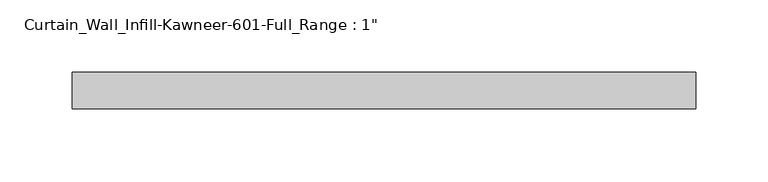
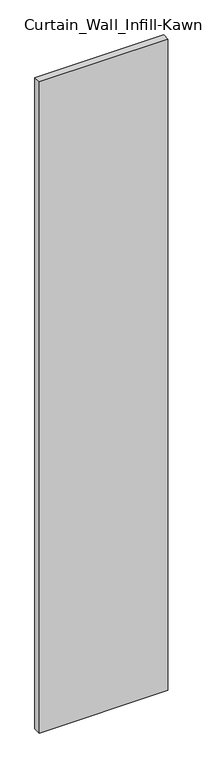
"""IFC4 building model written with IfcOpenShell, lengths in millimetres: plate geometry."""

import ifcopenshell
import ifcopenshell.guid

model = None  # the IFC model being written
_history = None  # IfcOwnerHistory: only IFC2X3 demands one
_inside = {}  # id of a spatial element -> (the spatial element, [elements in it])
_under = {}  # id of a project, library or spatial element -> (it, [spatial elements below it])
_declared = {}  # id of a project -> (the project, [libraries it declares])
_typed = {}  # id of a type object -> (the type object, [elements of that type])
_made_of = {}  # id of a material, layer set ... -> (it, [elements and type objects made of it])


def new_model(schema):
    """Start an empty IFC model of exactly this schema.

    Asked for "IFC4X3", IfcOpenShell would pick the latest addendum, in which some entities
    have other attributes; the version numbers below select the first issue.
    IFC2X3 requires an IfcOwnerHistory on every rooted entity: one is made here for all.
    """
    global model, _history
    if schema == "IFC4X3":
        model = ifcopenshell.file(schema_version=(4, 3, 0, 0))
    else:
        model = ifcopenshell.file(schema=schema)
    _inside.clear()
    _under.clear()
    _declared.clear()
    _typed.clear()
    _made_of.clear()
    _history = None
    if model.schema == "IFC2X3":
        org = make("IfcOrganization", Name="unknown")
        user = make(
            "IfcPersonAndOrganization",
            ThePerson=make("IfcPerson", FamilyName="unknown"),
            TheOrganization=org,
        )
        app = make(
            "IfcApplication",
            ApplicationDeveloper=org,
            Version="unknown",
            ApplicationFullName="unknown",
            ApplicationIdentifier="unknown",
        )
        _history = make(
            "IfcOwnerHistory",
            OwningUser=user,
            OwningApplication=app,
            ChangeAction="ADDED",
            CreationDate=0,
        )
    return model


def make(cls, **values):
    """One entity of the class cls with the attributes given. An attribute that is None is left unset."""
    return model.create_entity(
        cls, **{name: value for name, value in values.items() if value is not None}
    )


def rooted(cls, **values):
    """An entity with a GlobalId (a new one), such as an element, a storey or a relation."""
    return make(cls, GlobalId=ifcopenshell.guid.new(), OwnerHistory=_history, **values)


def si_unit(unit_type, name, prefix=None):
    """IfcSIUnit, for example si_unit("LENGTHUNIT", "METRE", prefix="MILLI")."""
    return make("IfcSIUnit", UnitType=unit_type, Prefix=prefix, Name=name)


def assignment(units):
    """IfcUnitAssignment: the units of a project."""
    return None if units is None else make("IfcUnitAssignment", Units=units)


def point(xyz):
    """IfcCartesianPoint."""
    return None if xyz is None else make("IfcCartesianPoint", Coordinates=xyz)


def direction(xyz):
    """IfcDirection."""
    return None if xyz is None else make("IfcDirection", DirectionRatios=xyz)


def frame(location, z_axis=None, x_axis=None):
    """IfcAxis2Placement3D, a coordinate frame: its origin and axes. An axis left out is left unset."""
    return make(
        "IfcAxis2Placement3D",
        Location=point(location),
        Axis=direction(z_axis),
        RefDirection=direction(x_axis),
    )


def origin():
    """The frame at (0, 0, 0) with its axes left unset."""
    return frame((0.0, 0.0, 0.0))


def origin_with_axes():
    """The frame at (0, 0, 0) with the z axis (0, 0, 1) and the x axis (1, 0, 0) written out."""
    return frame((0.0, 0.0, 0.0), z_axis=(0.0, 0.0, 1.0), x_axis=(1.0, 0.0, 0.0))


def place(relative_to, where):
    """IfcLocalPlacement: puts the frame where relative to a parent placement (None: the world)."""
    return make(
        "IfcLocalPlacement", PlacementRelTo=relative_to, RelativePlacement=where
    )


def context(
    kind, dimensions, precision=None, world=None, true_north=None, identifier=None
):
    """IfcGeometricRepresentationContext, for example the 3D "Model" context."""
    return make(
        "IfcGeometricRepresentationContext",
        ContextIdentifier=identifier,
        ContextType=kind,
        CoordinateSpaceDimension=dimensions,
        Precision=precision,
        WorldCoordinateSystem=world,
        TrueNorth=true_north,
    )


def project(units=None, contexts=None):
    """IfcProject with its units and contexts."""
    return rooted(
        "IfcProject",
        Name="project",
        RepresentationContexts=contexts,
        UnitsInContext=assignment(units),
    )


def spatial(cls, under=None, at=None, **own):
    """A site, building, storey or space (cls), placed at a placement, below another one or the project."""
    s = rooted(cls, ObjectPlacement=at, **own)
    if under is not None:
        _under.setdefault(under.id(), (under, []))[1].append(s)
    return s


def polyline(points):
    """IfcPolyline through the points."""
    return make("IfcPolyline", Points=[point(p) for p in points])


def outline(outer, holes=None, kind="AREA"):
    """IfcArbitraryClosedProfileDef: a profile drawn as a closed curve; with holes, ...WithVoids."""
    if holes is None:
        return make("IfcArbitraryClosedProfileDef", ProfileType=kind, OuterCurve=outer)
    return make(
        "IfcArbitraryProfileDefWithVoids",
        ProfileType=kind,
        OuterCurve=outer,
        InnerCurves=holes,
    )


def extrude(swept, where, along, depth):
    """IfcExtrudedAreaSolid: the profile swept, set in the frame where, extruded along a direction by depth."""
    return make(
        "IfcExtrudedAreaSolid",
        SweptArea=swept,
        Position=where,
        ExtrudedDirection=direction(along),
        Depth=depth,
    )


def shape(context_of_items, identifier, shape_type, items):
    """IfcShapeRepresentation: the items that make up one representation, for example the "Body"."""
    return make(
        "IfcShapeRepresentation",
        ContextOfItems=context_of_items,
        RepresentationIdentifier=identifier,
        RepresentationType=shape_type,
        Items=items,
    )


def source(mapping_origin, context_of_items, identifier, shape_type, items):
    """IfcRepresentationMap: a shape defined once, which mapped items show again and again."""
    return make(
        "IfcRepresentationMap",
        MappingOrigin=mapping_origin,
        MappedRepresentation=shape(context_of_items, identifier, shape_type, items),
    )


def transform(
    local_origin,
    x_axis=None,
    y_axis=None,
    z_axis=None,
    scale=None,
    scale2=None,
    scale3=None,
    uniform=True,
):
    """IfcCartesianTransformationOperator3D, or its non-uniform kind. x_axis, y_axis, z_axis: its Axis1, 2, 3."""
    if uniform:
        return make(
            "IfcCartesianTransformationOperator3D",
            Axis1=direction(x_axis),
            Axis2=direction(y_axis),
            LocalOrigin=point(local_origin),
            Scale=scale,
            Axis3=direction(z_axis),
        )
    return make(
        "IfcCartesianTransformationOperator3DnonUniform",
        Axis1=direction(x_axis),
        Axis2=direction(y_axis),
        LocalOrigin=point(local_origin),
        Scale=scale,
        Axis3=direction(z_axis),
        Scale2=scale2,
        Scale3=scale3,
    )


def mapped(mapping_source, mapping_target):
    """IfcMappedItem: shows the shape of a source again, moved by a transform."""
    return make(
        "IfcMappedItem", MappingSource=mapping_source, MappingTarget=mapping_target
    )


def made_of(thing, what):
    """Note that an element or type object is made of a material, layer set ...; save() writes the relation."""
    if what is not None:
        _made_of.setdefault(what.id(), (what, []))[1].append(thing)
    return thing


def element(
    cls,
    number,
    at=None,
    inside=None,
    cuts=None,
    type_object=None,
    material=None,
    context=None,
    identifier="Body",
    shape_type=None,
    held_by="IfcProductDefinitionShape",
    body=None,
    shapes=None,
    **own,
):
    """One element of the class cls, such as IfcWall. Its Tag is "e" and its number.

    at: its placement. inside: the storey or other place that contains it. cuts: it is an
    opening in that element (IfcRelVoidsElement). A single representation is given by context,
    identifier, shape_type and body (its items); several are given by shapes. held_by: the class
    of the entity that holds the representations. save() writes the other relations.
    """
    e = rooted(cls, Tag="e%d" % number, ObjectPlacement=at, **own)
    if body is not None:
        shapes = [shape(context, identifier, shape_type, body)]
    if shapes is not None:
        e.Representation = make(held_by, Representations=shapes)
    if inside is not None:
        _inside.setdefault(inside.id(), (inside, []))[1].append(e)
    if cuts is not None:
        rooted(
            "IfcRelVoidsElement", RelatingBuildingElement=cuts, RelatedOpeningElement=e
        )
    if type_object is not None:
        _typed.setdefault(type_object.id(), (type_object, []))[1].append(e)
    return made_of(e, material)


def aggregate(whole, parts):
    """IfcRelAggregates: a whole, such as a stair, and the parts it consists of."""
    return rooted("IfcRelAggregates", RelatingObject=whole, RelatedObjects=parts)


def save(model, path):
    """Write the relations noted so far, then the file.

    IfcRelAggregates (storeys below a building ...), IfcRelContainedInSpatialStructure (elements
    in a storey), IfcRelDefinesByType, IfcRelAssociatesMaterial and IfcRelDeclares: one each for
    every whole, place, type object, material and project.
    """
    for whole, parts in _under.values():
        aggregate(whole, parts)
    for where, things in _inside.values():
        rooted(
            "IfcRelContainedInSpatialStructure",
            RelatedElements=things,
            RelatingStructure=where,
        )
    for kind, things in _typed.values():
        rooted("IfcRelDefinesByType", RelatedObjects=things, RelatingType=kind)
    for what, things in _made_of.values():
        rooted("IfcRelAssociatesMaterial", RelatedObjects=things, RelatingMaterial=what)
    for by, libraries in _declared.values():
        rooted("IfcRelDeclares", RelatingContext=by, RelatedDefinitions=libraries)
    model.write(path)


def plate_adaf0420(model_context):
    return source(origin(), model_context, "Body", "SweptSolid", [
        extrude(outline(polyline([(-215.9, 0.0), (215.9, 0.0), (215.9, -25.4), (-215.9, -25.4), (-215.9, 0.0)])), origin_with_axes(), (0.0, 0.0, 1.0), 2311.4),
    ])


if __name__ == "__main__":
    model = new_model("IFC4")
    model_context = context("Model", 3, world=origin())
    ifc_project = project(units=[si_unit("LENGTHUNIT", "METRE", prefix="MILLI")], contexts=[model_context])
    site = spatial("IfcSite", under=ifc_project)
    building = spatial("IfcBuilding", under=site)
    placement = place(None, origin())
    plate_shape = plate_adaf0420(model_context)
    element("IfcPlate", 1, ObjectType="Curtain_Wall_Infill-Kawneer-601-Full_Range : 1\"", at=placement, inside=building, context=model_context, shape_type="MappedRepresentation", body=[
        mapped(plate_shape, transform((0.0, 0.0, 0.0), x_axis=(1.0, 0.0, 0.0), y_axis=(0.0, 1.0, 0.0), z_axis=(0.0, 0.0, 1.0))),
    ])
    save(model, "model.ifc")
